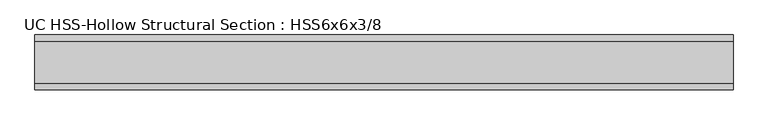
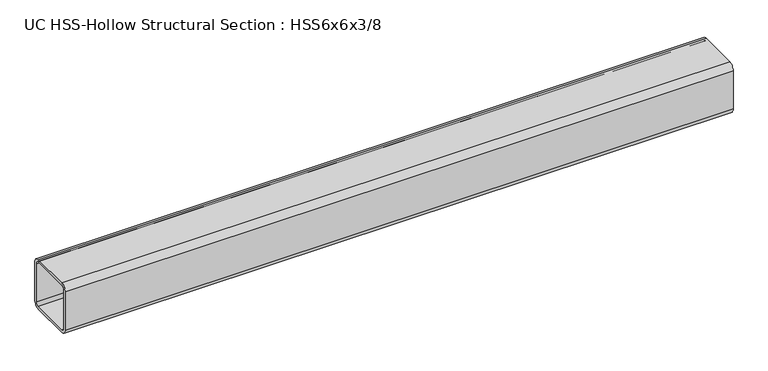
"""IFC4 building model written with IfcOpenShell, lengths in millimetres: beam geometry, UC HSS-Hollow Structural Section : HSS6x6x3/8."""

from ifc_helpers import new_model, si_unit, point, frame, frame_2d, origin, place, context, project, spatial, polyline, circle_curve, trimmed, segment, composite_curve, outline, extrude, source, transform, mapped, element, save


def uc_hss_hollow_structural_section_hss6x6x3_8_a2a09ea7(model_context):
    return source(origin(), model_context, "Body", "SweptSolid", [
        extrude(outline(composite_curve([segment(polyline([(76.2, 58.4708), (76.2, -58.4708)]), True, "CONTINUOUS"), segment(trimmed(circle_curve(frame_2d((58.4708, -58.4708)), 17.7292), [point((76.2, -58.4708))], [point((58.4708, -76.2))], False, "CARTESIAN"), True, "CONTINUOUS"), segment(polyline([(58.4708, -76.2), (-58.4708, -76.2)]), True, "CONTINUOUS"), segment(trimmed(circle_curve(frame_2d((-58.4708, -58.4708)), 17.7292), [point((-58.4708, -76.2))], [point((-76.2, -58.4708))], False, "CARTESIAN"), True, "CONTINUOUS"), segment(polyline([(-76.2, -58.4708), (-76.2, 58.4708)]), True, "CONTINUOUS"), segment(trimmed(circle_curve(frame_2d((-58.4708, 58.4708)), 17.7292), [point((-76.2, 58.4708))], [point((-58.4708, 76.2))], False, "CARTESIAN"), True, "CONTINUOUS"), segment(polyline([(-58.4708, 76.2), (58.4708, 76.2)]), True, "CONTINUOUS"), segment(trimmed(circle_curve(frame_2d((58.4708, 58.4708)), 17.7292), [point((58.4708, 76.2))], [point((76.2, 58.4708))], False, "CARTESIAN"), True, "CONTINUOUS")], self_intersect=False), holes=[composite_curve([segment(trimmed(circle_curve(frame_2d((-58.4708, 58.4708)), 8.8646), [point((-58.4708, 67.3354))], [point((-67.3354, 58.4708))], True, "CARTESIAN"), True, "CONTINUOUS"), segment(polyline([(-67.3354, 58.4708), (-67.3354, -58.4708)]), True, "CONTINUOUS"), segment(trimmed(circle_curve(frame_2d((-58.4708, -58.4708)), 8.8646), [point((-67.3354, -58.4708))], [point((-58.4708, -67.3354))], True, "CARTESIAN"), True, "CONTINUOUS"), segment(polyline([(-58.4708, -67.3354), (58.4708, -67.3354)]), True, "CONTINUOUS"), segment(trimmed(circle_curve(frame_2d((58.4708, -58.4708)), 8.8646), [point((58.4708, -67.3354))], [point((67.3354, -58.4708))], True, "CARTESIAN"), True, "CONTINUOUS"), segment(polyline([(67.3354, -58.4708), (67.3354, 58.4708)]), True, "CONTINUOUS"), segment(trimmed(circle_curve(frame_2d((58.4708, 58.4708)), 8.8646), [point((67.3354, 58.4708))], [point((58.4708, 67.3354))], True, "CARTESIAN"), True, "CONTINUOUS"), segment(polyline([(58.4708, 67.3354), (-58.4708, 67.3354)]), True, "CONTINUOUS")], self_intersect=False)]), frame((-901.6127543, 0.0, 0.0), z_axis=(1.0, 0.0, 0.0), x_axis=(0.0, 1.0, 0.0)), (0.0, 0.0, 1.0), 1936.5891713),
    ])


if __name__ == "__main__":
    model = new_model("IFC4")
    model_context = context("Model", 3, world=origin())
    ifc_project = project(units=[si_unit("LENGTHUNIT", "METRE", prefix="MILLI")], contexts=[model_context])
    site = spatial("IfcSite", under=ifc_project)
    building = spatial("IfcBuilding", under=site)
    placement = place(None, origin())
    uc_hss_hollow_structural_section_hss6x6x3_8_shape = uc_hss_hollow_structural_section_hss6x6x3_8_a2a09ea7(model_context)
    element("IfcBeam", 1, ObjectType="UC HSS-Hollow Structural Section : HSS6x6x3/8", at=placement, inside=building, context=model_context, shape_type="MappedRepresentation", body=[
        mapped(uc_hss_hollow_structural_section_hss6x6x3_8_shape, transform((0.0, 0.0, 0.0), x_axis=(1.0, 0.0, 0.0), y_axis=(0.0, 1.0, 0.0), z_axis=(0.0, 0.0, 1.0))),
    ])
    save(model, "model.ifc")
